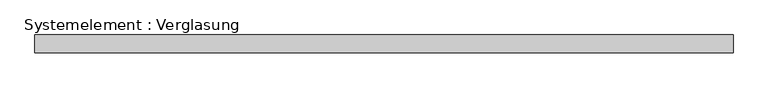
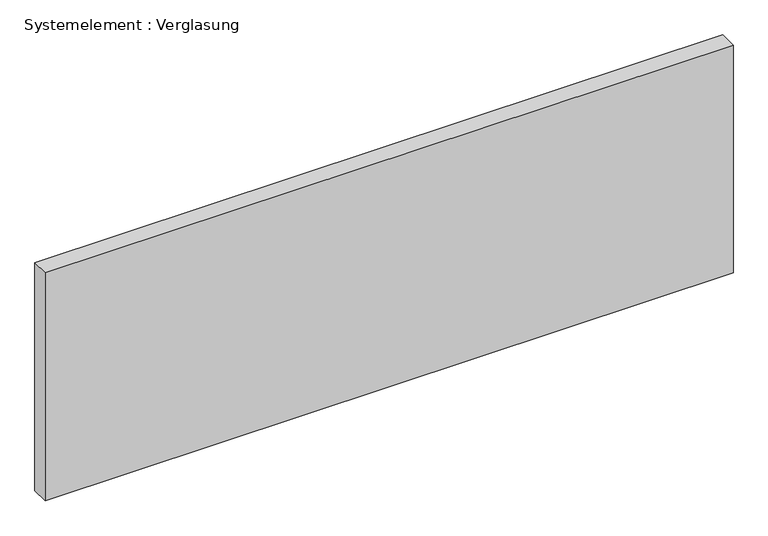
"""IFC4 building model written with IfcOpenShell, lengths in millimetres: plate geometry, Systemelement : Verglasung."""

from ifc_helpers import new_model, si_unit, origin, origin_with_axes, place, context, project, spatial, polyline, outline, extrude, source, transform, mapped, element, save


def systemelement_verglasung_f8403952(model_context):
    return source(origin(), model_context, "Body", "SweptSolid", [
        extrude(outline(polyline([(585.3125, -15.0), (-585.3125, -15.0), (-585.3125, 15.0), (585.3125, 15.0), (585.3125, -15.0)])), origin_with_axes(), (0.0, 0.0, 1.0), 410.0),
    ])


if __name__ == "__main__":
    model = new_model("IFC4")
    model_context = context("Model", 3, world=origin())
    ifc_project = project(units=[si_unit("LENGTHUNIT", "METRE", prefix="MILLI")], contexts=[model_context])
    site = spatial("IfcSite", under=ifc_project)
    building = spatial("IfcBuilding", under=site)
    placement = place(None, origin())
    systemelement_verglasung_shape = systemelement_verglasung_f8403952(model_context)
    element("IfcPlate", 1, ObjectType="Systemelement : Verglasung", at=placement, inside=building, context=model_context, shape_type="MappedRepresentation", body=[
        mapped(systemelement_verglasung_shape, transform((0.0, 0.0, 0.0), x_axis=(1.0, 0.0, 0.0), y_axis=(0.0, 1.0, 0.0), z_axis=(0.0, 0.0, 1.0))),
    ])
    save(model, "model.ifc")
